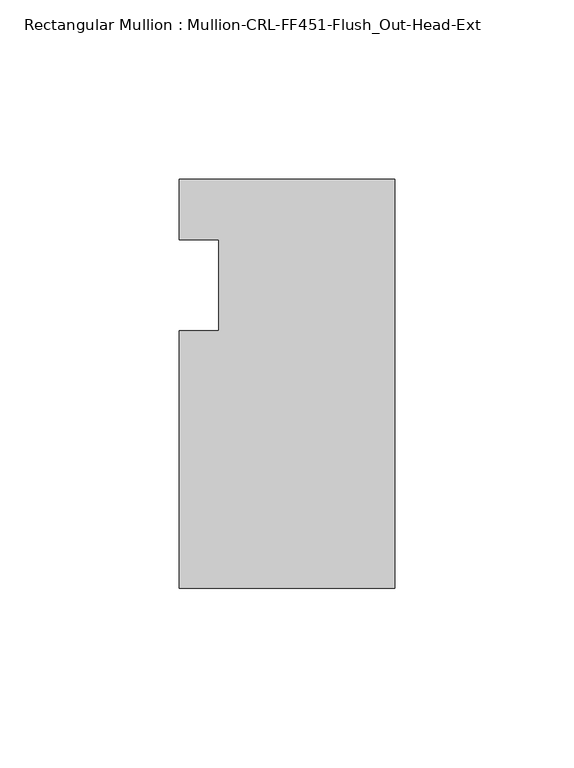
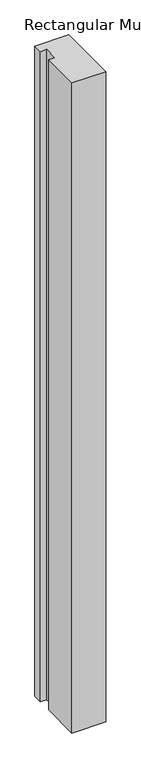
"""IFC4 building model written with IfcOpenShell, lengths in millimetres: member geometry, Rectangular Mullion : Mullion-CRL-FF451-Flush_Out-Head-Ext."""

from ifc_helpers import new_model, si_unit, frame, origin, place, context, project, spatial, polyline, outline, extrude, source, transform, mapped, element, save


def rectangular_mullion_mullion_crl_ff451_flush_out_head_ext_45cb9bd0(model_context):
    return source(origin(), model_context, "Body", "SweptSolid", [
        extrude(outline(polyline([(0.0, -84.6650108), (-60.325, -84.6650108), (-60.325, -12.7), (-49.2125, -12.7), (-49.2125, 12.7), (-60.325, 12.7), (-60.325, 29.6349892), (0.0, 29.6349892), (0.0, -84.6650108)])), frame((0.0, 0.0, -1227.6259421), z_axis=(0.0, 0.0, 1.0), x_axis=(1.0, 0.0, 0.0)), (0.0, 0.0, 1.0), 1227.6259421),
    ])


if __name__ == "__main__":
    model = new_model("IFC4")
    model_context = context("Model", 3, world=origin())
    ifc_project = project(units=[si_unit("LENGTHUNIT", "METRE", prefix="MILLI")], contexts=[model_context])
    site = spatial("IfcSite", under=ifc_project)
    building = spatial("IfcBuilding", under=site)
    placement = place(None, origin())
    rectangular_mullion_mullion_crl_ff451_flush_out_head_ext_shape = rectangular_mullion_mullion_crl_ff451_flush_out_head_ext_45cb9bd0(model_context)
    element("IfcMember", 1, ObjectType="Rectangular Mullion : Mullion-CRL-FF451-Flush_Out-Head-Ext", at=placement, inside=building, context=model_context, shape_type="MappedRepresentation", body=[
        mapped(rectangular_mullion_mullion_crl_ff451_flush_out_head_ext_shape, transform((0.0, 0.0, 0.0), x_axis=(1.0, 0.0, 0.0), y_axis=(0.0, 1.0, 0.0), z_axis=(0.0, 0.0, 1.0))),
    ])
    save(model, "model.ifc")
